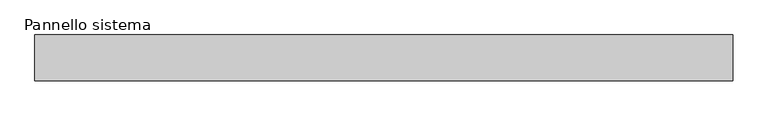
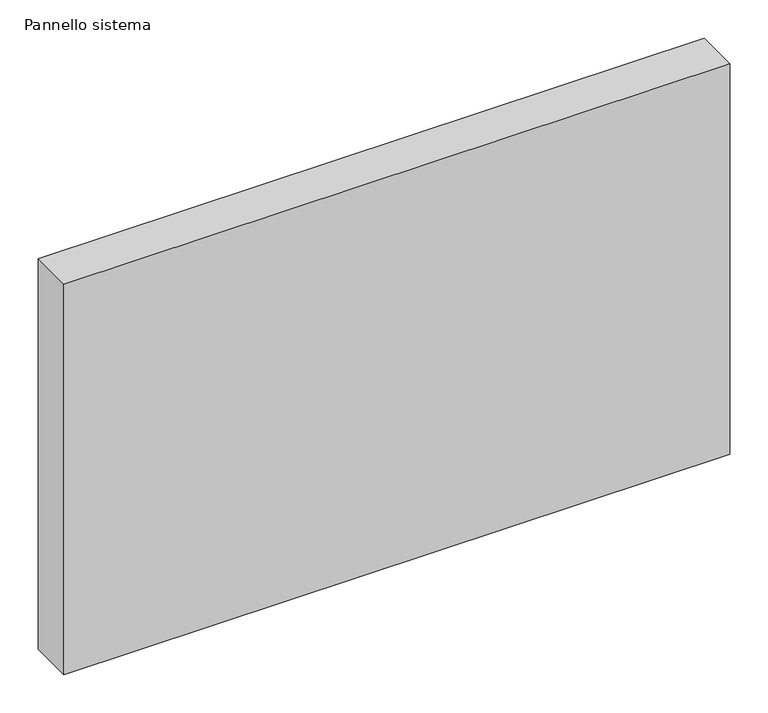
"""IFC4 building model written with IfcOpenShell, lengths in millimetres: plate geometry, Pannello sistema."""

from ifc_helpers import new_model, si_unit, origin, origin_with_axes, place, context, project, spatial, polyline, outline, extrude, source, transform, mapped, element, save


def pannello_sistema_46609172(model_context):
    return source(origin(), model_context, "Body", "SweptSolid", [
        extrude(outline(polyline([(500.0, -33.0), (-500.0, -33.0), (-500.0, 33.0), (500.0, 33.0), (500.0, -33.0)])), origin_with_axes(), (0.0, 0.0, 1.0), 620.0),
    ])


if __name__ == "__main__":
    model = new_model("IFC4")
    model_context = context("Model", 3, world=origin())
    ifc_project = project(units=[si_unit("LENGTHUNIT", "METRE", prefix="MILLI")], contexts=[model_context])
    site = spatial("IfcSite", under=ifc_project)
    building = spatial("IfcBuilding", under=site)
    placement = place(None, origin())
    pannello_sistema_shape = pannello_sistema_46609172(model_context)
    element("IfcPlate", 1, ObjectType="Pannello sistema", at=placement, inside=building, context=model_context, shape_type="MappedRepresentation", body=[
        mapped(pannello_sistema_shape, transform((0.0, 0.0, 0.0), x_axis=(1.0, 0.0, 0.0), y_axis=(0.0, 1.0, 0.0), z_axis=(0.0, 0.0, 1.0))),
    ])
    save(model, "model.ifc")
